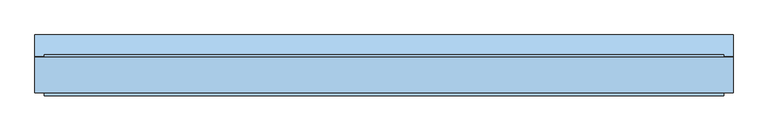
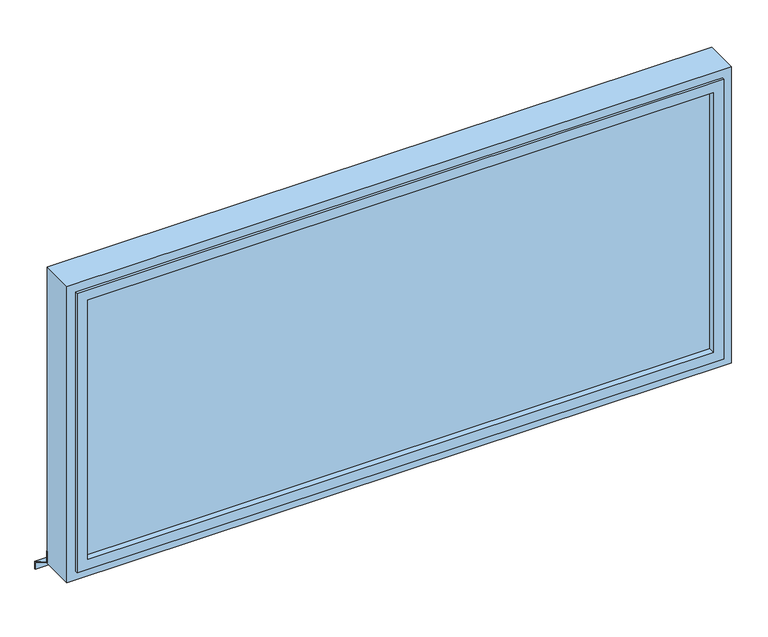
"""IFC4 building model written with IfcOpenShell, lengths in millimetres: window geometry."""

from ifc_helpers import new_model, si_unit, frame, origin, place, context, project, spatial, polyline, outline, extrude, faceted_brep, source, transform, mapped, element, save


def window_70d3f4b2(model_context):
    return source(origin(), model_context, "Body", "SolidModel", [
        extrude(outline(polyline([(272.0, 857.2482139), (272.0, 827.2482139), (270.0, 827.2482139), (270.0, 856.0935134), (190.0, 902.2815349), (190.0, 949.0), (192.0, 949.0), (192.0, 903.4362354), (272.0, 857.2482139)])), frame((-1169.1594222, 0.0, 0.0), z_axis=(1.0, 0.0, 0.0), x_axis=(0.0, 1.0, 0.0)), (0.0, 0.0, 1.0), 2548.3188443),
        extrude(outline(polyline([(1330.1594222, 175.0), (1330.1594222, 75.0), (-1120.1594222, 75.0), (-1120.1594222, 175.0), (1330.1594222, 175.0)])), frame((0.0, 0.0, 949.0), z_axis=(0.0, 0.0, 1.0), x_axis=(1.0, 0.0, 0.0)), (0.0, 0.0, 1.0), 1103.1809064),
        extrude(outline(polyline([(2101.1809064, -1169.1594222), (900.0, -1169.1594222), (900.0, 1379.1594222), (2101.1809064, 1379.1594222), (2101.1809064, -1169.1594222)]), holes=[polyline([(2052.1809064, 1330.1594222), (949.0, 1330.1594222), (949.0, -1120.1594222), (2052.1809064, -1120.1594222), (2052.1809064, 1330.1594222)])]), frame((0.0, 60.0, 0.0), z_axis=(0.0, 1.0, 0.0), x_axis=(0.0, 0.0, 1.0)), (0.0, 0.0, 1.0), 130.0),
        faceted_brep([(-1135.5159636, 200.0, 2067.5374479), (-1135.5159636, 190.0, 2067.5374479), (1345.5159636, 190.0, 2067.5374479), (1345.5159636, 200.0, 2067.5374479), (-1095.1594222, 175.0, 2027.1809064), (-1095.1594222, 200.0, 2027.1809064), (1305.1594222, 200.0, 2027.1809064), (1305.1594222, 175.0, 2027.1809064), (-1120.1594222, 190.0, 2052.1809064), (-1120.1594222, 175.0, 2052.1809064), (1330.1594222, 175.0, 2052.1809064), (1330.1594222, 190.0, 2052.1809064), (1345.5159636, 190.0, 933.6434585), (1345.5159636, 200.0, 933.6434585), (1305.1594222, 200.0, 974.0), (1305.1594222, 175.0, 974.0), (1330.1594222, 175.0, 949.0), (1330.1594222, 190.0, 949.0), (-1135.5159636, 190.0, 933.6434585), (-1135.5159636, 200.0, 933.6434585), (-1095.1594222, 200.0, 974.0), (-1095.1594222, 175.0, 974.0), (-1120.1594222, 175.0, 949.0), (-1120.1594222, 190.0, 949.0)], [[[0, 1, 2, 3]], [[4, 5, 6, 7]], [[8, 9, 10, 11]], [[3, 2, 12, 13]], [[7, 6, 14, 15]], [[11, 10, 16, 17]], [[13, 12, 18, 19]], [[15, 14, 20, 21]], [[17, 16, 22, 23]], [[1, 18, 12, 2], [11, 17, 23, 8]], [[19, 18, 1, 0]], [[3, 13, 19, 0], [5, 20, 14, 6]], [[21, 20, 5, 4]], [[9, 22, 16, 10], [7, 15, 21, 4]], [[23, 22, 9, 8]]]),
        faceted_brep([(-1120.1594222, 75.0, 2052.1809064), (-1120.1594222, 60.0, 2052.1809064), (1330.1594222, 60.0, 2052.1809064), (1330.1594222, 75.0, 2052.1809064), (-1095.1594222, 50.0, 2027.1809064), (-1095.1594222, 75.0, 2027.1809064), (1305.1594222, 75.0, 2027.1809064), (1305.1594222, 50.0, 2027.1809064), (-1135.5159636, 60.0, 2067.5374479), (-1135.5159636, 50.0, 2067.5374479), (1345.5159636, 50.0, 2067.5374479), (1345.5159636, 60.0, 2067.5374479), (1330.1594222, 60.0, 949.0), (1330.1594222, 75.0, 949.0), (1305.1594222, 75.0, 974.0), (1305.1594222, 50.0, 974.0), (1345.5159636, 50.0, 933.6434585), (1345.5159636, 60.0, 933.6434585), (-1120.1594222, 60.0, 949.0), (-1120.1594222, 75.0, 949.0), (-1095.1594222, 75.0, 974.0), (-1095.1594222, 50.0, 974.0), (-1135.5159636, 50.0, 933.6434585), (-1135.5159636, 60.0, 933.6434585)], [[[0, 1, 2, 3]], [[4, 5, 6, 7]], [[8, 9, 10, 11]], [[3, 2, 12, 13]], [[7, 6, 14, 15]], [[11, 10, 16, 17]], [[13, 12, 18, 19]], [[15, 14, 20, 21]], [[17, 16, 22, 23]], [[19, 18, 1, 0]], [[3, 13, 19, 0], [5, 20, 14, 6]], [[21, 20, 5, 4]], [[9, 22, 16, 10], [7, 15, 21, 4]], [[23, 22, 9, 8]], [[11, 17, 23, 8], [1, 18, 12, 2]]]),
    ])


if __name__ == "__main__":
    model = new_model("IFC4")
    model_context = context("Model", 3, world=origin())
    ifc_project = project(units=[si_unit("LENGTHUNIT", "METRE", prefix="MILLI")], contexts=[model_context])
    site = spatial("IfcSite", under=ifc_project)
    building = spatial("IfcBuilding", under=site)
    placement = place(None, origin())
    window_shape = window_70d3f4b2(model_context)
    element("IfcWindow", 1, at=placement, inside=building, context=model_context, shape_type="MappedRepresentation", body=[
        mapped(window_shape, transform((0.0, 0.0, 0.0), x_axis=(1.0, 0.0, 0.0), y_axis=(0.0, 1.0, 0.0), z_axis=(0.0, 0.0, 1.0))),
    ])
    save(model, "model.ifc")
